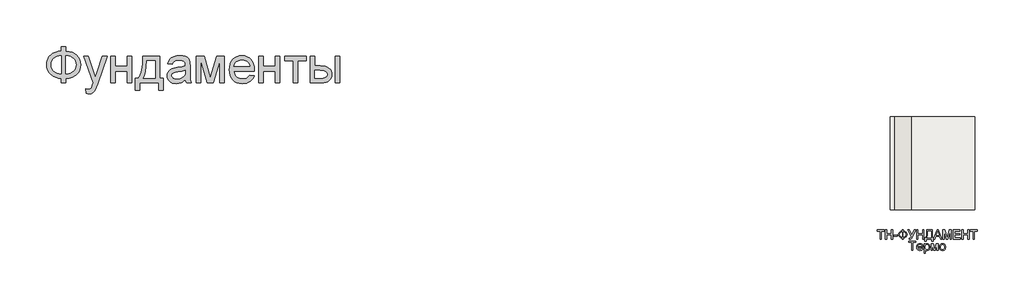
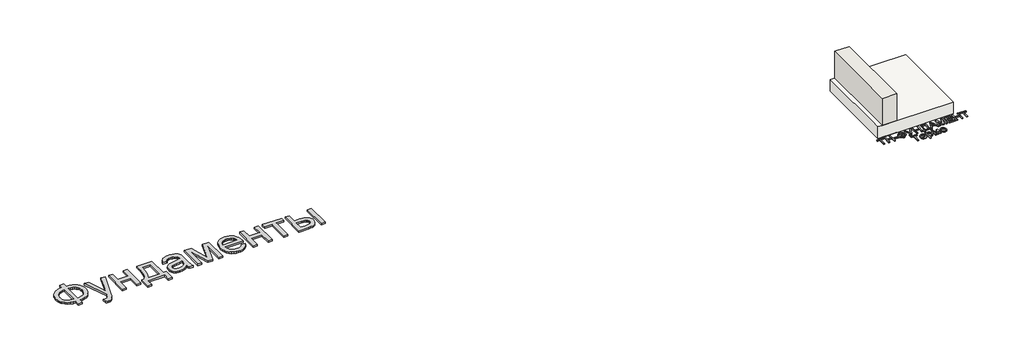
# One storey: 2 proxies, 1 slab, 1 wall.
"""IFC4 building model written with IfcOpenShell, lengths in millimetres."""

from ifc_helpers import new_model, si_unit, frame, origin, origin_with_axes, place, context, project, spatial, polyline, outline, extrude, faceted_brep, element, save

model = new_model("IFC4")

# Units and contexts
model_context = context("Model", 3, world=origin())
ifc_project = project(units=[si_unit("LENGTHUNIT", "METRE", prefix="MILLI")], contexts=[model_context])

# Site, building, storey
site = spatial("IfcSite", under=ifc_project)
building = spatial("IfcBuilding", under=site)
storey = spatial("IfcBuildingStorey", under=building, Elevation=0.0)

# Proxies
placement = place(None, origin())
element("IfcBuildingElementProxy", 1, Name="Generic Models", at=placement, inside=storey, context=model_context, shape_type="SweptSolid", body=[
    extrude(outline(polyline([(-1939.8736325, -26885.7211043), (-1939.8736325, -26787.7817103), (-1841.9342386, -26787.7817103), (-1841.9342386, -26885.7211043), (-1772.0723186, -26894.3529698), (-1709.9695132, -26912.2144755), (-1655.6258224, -26939.3056213), (-1609.0412461, -26975.6264073), (-1571.6743546, -27019.0607113), (-1544.9837177, -27067.4924111), (-1528.9693356, -27120.9215067), (-1523.6312083, -27179.3479982), (-1528.8019587, -27236.6028514), (-1544.3142102, -27289.3863505), (-1570.1679625, -27337.6984954), (-1606.3632158, -27381.5392861), (-1628.1416397, -27401.1761824), (-1652.1109076, -27418.4817577), (-1706.6219753, -27446.0989452), (-1769.896419, -27464.3908486), (-1841.9342386, -27473.3574679), (-1841.9342386, -27571.2968619), (-1939.8736325, -27571.2968619), (-1939.8736325, -27473.3574679), (-2005.3060425, -27466.0586398), (-2065.0237272, -27449.518216), (-2119.0266865, -27423.7361966), (-2167.3149204, -27388.7125816), (-2207.0669327, -27345.8939854), (-2222.6837947, -27322.10405), (-2235.4612272, -27296.7270228), (-2245.3992303, -27269.7629041), (-2252.4978039, -27241.2116938), (-2258.1766628, -27179.3479982), (-2252.5157371, -27117.2033486), (-2245.4395801, -27088.5878775), (-2235.5329602, -27061.6103088), (-2222.7958774, -27036.2706426), (-2207.2283318, -27012.5688789), (-2188.8303234, -26990.5050176), (-2167.6018522, -26970.0790588), (-2119.4032845, -26935.3961753), (-2065.382392, -26909.775555), (-2005.5391746, -26893.217198), (-1939.8736325, -26885.7211043)]), holes=[polyline([(-1841.9342386, -26983.6604982), (-1841.9342386, -27375.418074), (-1793.3949393, -27370.2234125), (-1750.3073446, -27359.2303372), (-1712.6714545, -27342.4388481), (-1680.4872689, -27319.8489452), (-1654.7112272, -27291.9627591), (-1636.2997689, -27259.2824206), (-1625.2528939, -27221.8079296), (-1621.5706022, -27179.5392861), (-1625.1871387, -27137.922217), (-1636.036748, -27100.872146), (-1654.1194303, -27068.389073), (-1679.4351855, -27040.4729982), (-1711.2905951, -27017.6977852), (-1748.9922405, -27000.6372975), (-1792.5401216, -26989.2915352), (-1841.9342386, -26983.6604982)]), polyline([(-1939.8736325, -26983.6604982), (-1986.781007, -26988.5861611), (-2028.989873, -26999.3461043), (-2066.5002305, -27015.9403278), (-2099.3120795, -27038.3688316), (-2125.9668498, -27066.2012179), (-2145.0059715, -27099.0070891), (-2156.4294445, -27136.7864452), (-2160.2372689, -27179.5392861), (-2156.4772665, -27221.9035735), (-2145.1972594, -27259.4737085), (-2126.3972476, -27292.2496909), (-2100.077231, -27320.231521), (-2067.5044919, -27342.8692459), (-2029.9463124, -27359.612913), (-1987.4026926, -27370.4625224), (-1939.8736325, -27375.418074), (-1939.8736325, -26983.6604982)])]), origin_with_axes(), (0.0, 0.0, 1.0), 40.0),
    extrude(outline(polyline([(-1401.2069658, -27791.6604982), (-1413.4493901, -27697.355574), (-1386.764731, -27703.8115399), (-1363.7145416, -27705.9635285), (-1337.5559242, -27703.2615872), (-1317.2315871, -27695.1557634), (-1301.4025151, -27682.2199206), (-1288.7296931, -27665.0279225), (-1261.9493901, -27592.9123922), (-1254.2978749, -27569.1926952), (-1462.4190871, -26995.9029225), (-1359.1236325, -26995.9029225), (-1248.7505264, -27315.35368), (-1210.3016628, -27443.1339831), (-1171.8527992, -27330.2741346), (-1058.4190871, -26995.9029225), (-955.888784, -26995.9029225), (-1156.1671931, -27585.0695891), (-1185.9124583, -27663.4019755), (-1208.1974961, -27712.8498922), (-1234.8343333, -27753.6420323), (-1265.0099961, -27781.9048164), (-1300.0634999, -27798.403396), (-1341.3338598, -27803.9029225), (-1369.6922878, -27800.8423164), (-1401.2069658, -27791.6604982)])), origin_with_axes(), (0.0, 0.0, 1.0), 40.0),
    extrude(outline(polyline([(-874.7827234, -26995.9029225), (-776.8433295, -26995.9029225), (-776.8433295, -27216.2665588), (-519.7524204, -27216.2665588), (-519.7524204, -26995.9029225), (-421.8130264, -26995.9029225), (-421.8130264, -27571.2968619), (-519.7524204, -27571.2968619), (-519.7524204, -27314.2059528), (-776.8433295, -27314.2059528), (-776.8433295, -27571.2968619), (-874.7827234, -27571.2968619), (-874.7827234, -26995.9029225)])), origin_with_axes(), (0.0, 0.0, 1.0), 40.0),
    extrude(outline(polyline([(-189.2069658, -26995.9029225), (178.0657614, -26995.9029225), (178.0657614, -27473.3574679), (251.5203069, -27473.3574679), (251.5203069, -27730.448377), (153.5809129, -27730.448377), (153.5809129, -27571.2968619), (-250.4190871, -27571.2968619), (-250.4190871, -27730.448377), (-348.358481, -27730.448377), (-348.358481, -27473.3574679), (-287.1463598, -27473.3574679), (-263.2293972, -27436.3970631), (-242.648017, -27392.9448259), (-225.4022192, -27343.0007563), (-211.4920037, -27286.5648543), (-200.9173707, -27223.6371199), (-193.67832, -27154.2175531), (-189.7748517, -27078.306154), (-189.2069658, -26995.9029225)]), holes=[polyline([(-103.5099961, -27093.8423164), (-111.5440871, -27213.7559054), (-126.4645416, -27316.979627), (-148.2713598, -27403.5134812), (-161.7571552, -27440.521708), (-176.9645416, -27473.3574679), (80.1263675, -27473.3574679), (80.1263675, -27093.8423164), (-103.5099961, -27093.8423164)])]), origin_with_axes(), (0.0, 0.0, 1.0), 40.0),
    extrude(outline(polyline([(728.9748523, -27497.8423164), (682.181055, -27537.964949), (658.2640924, -27552.8256261), (634.0004205, -27564.2192103), (583.3330436, -27578.7092672), (529.079019, -27583.5392861), (485.4713604, -27580.6341014), (447.2317179, -27571.9185475), (414.3600914, -27557.3926242), (386.8564811, -27537.0563316), (365.1393291, -27512.2008628), (349.6270777, -27484.1174111), (340.3197269, -27452.8059764), (337.2172766, -27418.2665588), (341.9038296, -27377.6657066), (355.9634887, -27340.7949679), (377.650752, -27309.2324679), (405.2201175, -27284.5563316), (437.619502, -27265.9057634), (473.796822, -27252.4199679), (558.5373523, -27237.6908013), (658.6765569, -27222.1964831), (728.4009887, -27204.0241346), (728.9748523, -27182.2173164), (727.2891279, -27158.4737085), (722.2319546, -27138.5080361), (713.8033325, -27122.3202994), (702.0032614, -27109.9104982), (681.6071914, -27097.5246081), (656.7636781, -27088.6775437), (627.4727217, -27083.369305), (593.734322, -27081.5998922), (535.391519, -27086.3103562), (512.8195493, -27092.1984362), (494.6472008, -27100.4417482), (479.7147908, -27111.6858888), (466.8626364, -27126.5764547), (456.0907378, -27145.1134457), (447.3990948, -27167.2968619), (349.4597008, -27155.0544376), (366.4604111, -27101.4938316), (378.0990829, -27079.0175058), (391.829966, -27059.4104982), (408.2448571, -27042.2782776), (427.9355531, -27027.2263126), (450.902054, -27014.2546033), (477.1443599, -27003.3631497), (537.3283088, -26988.5861611), (606.359322, -26983.6604982), (672.5688391, -26988.0122975), (725.0534508, -27001.0676952), (764.6261307, -27020.6986138), (792.0998523, -27044.7769755), (810.3200228, -27074.5461516), (822.1320493, -27111.2495134), (825.718697, -27145.1074679), (826.9142463, -27196.9464831), (826.9142463, -27318.7968619), (828.1576175, -27424.9377236), (831.8877311, -27488.94743), (839.2523145, -27531.0068524), (851.3990948, -27571.2968619), (753.4597008, -27571.2968619), (737.7740948, -27537.2476194), (728.9748523, -27497.8423164)]), holes=[polyline([(728.9748523, -27301.9635285), (663.171822, -27318.2708202), (570.9710645, -27331.9957255), (520.1602217, -27339.5037747), (486.7087539, -27347.8726194), (464.7823807, -27358.7282066), (448.546822, -27373.6964831), (438.5042084, -27391.6297217), (435.1566705, -27411.3801952), (436.9798831, -27426.599537), (442.4495209, -27440.5037747), (451.5655839, -27453.0929083), (464.328072, -27464.3669376), (480.6174305, -27473.6563552), (500.3141042, -27480.2916535), (549.9293978, -27485.5998922), (602.5335645, -27479.7417009), (626.5401932, -27472.4189618), (649.016519, -27462.167127), (686.7002311, -27436.2715304), (712.9066705, -27405.450271), (724.5274092, -27373.6964831), (728.4009887, -27329.700271), (728.9748523, -27301.9635285)])]), origin_with_axes(), (0.0, 0.0, 1.0), 40.0),
    extrude(outline(polyline([(961.5809129, -26995.9029225), (1130.1055342, -26995.9029225), (1259.9900039, -27456.5241346), (1400.0127311, -26995.9029225), (1561.4597008, -26995.9029225), (1561.4597008, -27571.2968619), (1463.5203069, -27571.2968619), (1463.5203069, -27107.9976194), (1322.7324281, -27571.2968619), (1194.1869736, -27571.2968619), (1059.5203069, -27085.8082255), (1059.5203069, -27571.2968619), (961.5809129, -27571.2968619), (961.5809129, -26995.9029225)])), origin_with_axes(), (0.0, 0.0, 1.0), 40.0),
    extrude(outline(polyline([(2111.2210645, -27399.9029225), (2207.2475796, -27412.1453467), (2192.5243907, -27450.6061658), (2172.6483845, -27484.4999869), (2147.6195611, -27513.8268098), (2117.4379205, -27538.5866346), (2082.4143055, -27558.2534196), (2042.8595588, -27572.3011232), (1998.7736805, -27580.7297454), (1950.1566705, -27583.5392861), (1889.3869025, -27578.6913339), (1835.2404773, -27564.1474774), (1787.717395, -27539.9077165), (1746.8176554, -27505.9720513), (1713.9280957, -27463.2849656), (1690.4355531, -27412.7909433), (1676.3400275, -27354.4899845), (1671.641519, -27288.3820891), (1676.3878495, -27220.0325389), (1690.626841, -27159.7888126), (1714.3584934, -27107.6509102), (1747.5828069, -27063.6188316), (1788.374947, -27028.6370607), (1834.8100796, -27003.6500816), (1886.8882046, -26988.6578941), (1944.609322, -26983.6604982), (2000.4713604, -26988.6459386), (2050.9892936, -27003.6022596), (2096.1631218, -27028.5294613), (2135.9928448, -27063.4275437), (2168.5058064, -27107.3639783), (2191.7293504, -27159.4062369), (2205.6634769, -27219.5543192), (2210.3081857, -27287.8082255), (2209.734322, -27314.2059528), (1769.5809129, -27314.2059528), (1775.2537941, -27353.2884575), (1786.5338012, -27387.5170323), (1803.4209343, -27416.8916772), (1825.9151932, -27441.4123922), (1852.773207, -27460.7444234), (1882.7516042, -27474.5530172), (1915.850385, -27482.8381734), (1952.0695493, -27485.5998922), (2004.1954963, -27480.4829414), (2048.0960645, -27465.1320891), (2066.9618315, -27453.3798401), (2083.7712539, -27438.590896), (2098.5243315, -27420.7652567), (2111.2210645, -27399.9029225)]), holes=[polyline([(1769.5809129, -27216.2665588), (2112.3687917, -27216.2665588), (2107.3355294, -27188.5537274), (2099.1221061, -27164.5231876), (2087.7285218, -27144.1749395), (2073.1547766, -27127.5089831), (2046.4462065, -27107.4237558), (2016.0553448, -27093.0771649), (1981.9821914, -27084.4692103), (1944.2267463, -27081.5998922), (1909.7889504, -27083.889369), (1878.2085171, -27090.7577994), (1849.4854466, -27102.2051834), (1823.6197387, -27118.231521), (1801.9145422, -27138.0955716), (1785.6730057, -27161.0560948), (1774.8951293, -27187.1130906), (1769.5809129, -27216.2665588)])]), origin_with_axes(), (0.0, 0.0, 1.0), 40.0),
    extrude(outline(polyline([(2308.2475796, -26995.9029225), (2406.1869736, -26995.9029225), (2406.1869736, -27216.2665588), (2663.2778826, -27216.2665588), (2663.2778826, -26995.9029225), (2761.2172766, -26995.9029225), (2761.2172766, -27571.2968619), (2663.2778826, -27571.2968619), (2663.2778826, -27314.2059528), (2406.1869736, -27314.2059528), (2406.1869736, -27571.2968619), (2308.2475796, -27571.2968619), (2308.2475796, -26995.9029225)])), origin_with_axes(), (0.0, 0.0, 1.0), 40.0),
    extrude(outline(polyline([(2859.1566705, -26995.9029225), (3324.3687917, -26995.9029225), (3324.3687917, -27093.8423164), (3140.7324281, -27093.8423164), (3140.7324281, -27571.2968619), (3042.7930342, -27571.2968619), (3042.7930342, -27093.8423164), (2859.1566705, -27093.8423164), (2859.1566705, -26995.9029225)])), origin_with_axes(), (0.0, 0.0, 1.0), 40.0),
    extrude(outline(polyline([(3948.7324281, -26995.9029225), (4046.671822, -26995.9029225), (4046.671822, -27571.2968619), (3948.7324281, -27571.2968619), (3948.7324281, -26995.9029225)])), origin_with_axes(), (0.0, 0.0, 1.0), 40.0),
    extrude(outline(polyline([(3410.0657614, -26995.9029225), (3508.0051554, -26995.9029225), (3508.0051554, -27204.0241346), (3629.0903826, -27204.0241346), (3684.8089551, -27207.0907184), (3733.7487633, -27216.2904698), (3775.9098074, -27231.6233888), (3811.2920872, -27253.0894755), (3839.2858727, -27279.9474892), (3859.2814338, -27311.4561895), (3871.2787704, -27347.6155763), (3875.2778826, -27388.4256497), (3871.924367, -27424.8361019), (3861.8638201, -27458.5087463), (3845.096242, -27489.443583), (3821.6216326, -27517.6406119), (3790.7824399, -27541.1152212), (3751.9211118, -27557.8827994), (3705.0376483, -27567.9433462), (3650.1320493, -27571.2968619), (3410.0657614, -27571.2968619), (3410.0657614, -26995.9029225)]), holes=[polyline([(3508.0051554, -27473.3574679), (3608.6225796, -27473.3574679), (3686.6202122, -27468.2166062), (3715.8274802, -27461.790529), (3738.5070493, -27452.794021), (3755.495804, -27441.0716606), (3767.6306289, -27426.4680266), (3774.9115237, -27408.983119), (3777.3384887, -27388.6169376), (3775.5391871, -27372.1542245), (3770.1412823, -27356.6240399), (3761.1447742, -27342.0263836), (3748.5496629, -27328.3612558), (3729.8094286, -27316.8122501), (3702.3775512, -27308.5629603), (3666.2540308, -27303.6133865), (3621.4388675, -27301.9635285), (3508.0051554, -27301.9635285), (3508.0051554, -27473.3574679)])]), origin_with_axes(), (0.0, 0.0, 1.0), 40.0),
])
element("IfcBuildingElementProxy", 2, Name="Generic Models", at=placement, inside=storey, context=model_context, shape_type="SweptSolid", body=[
    extrude(outline(polyline([(15665.8459778, -30929.3289166), (15665.8459778, -30757.0212243), (15601.2305932, -30757.0212243), (15601.2305932, -30732.4058397), (15755.076747, -30732.4058397), (15755.076747, -30757.0212243), (15690.4613624, -30757.0212243), (15690.4613624, -30929.3289166), (15665.8459778, -30929.3289166)])), origin_with_axes(), (0.0, 0.0, 1.0), 20.0),
    extrude(outline(polyline([(15782.7690547, -30929.3289166), (15782.7690547, -30732.4058397), (15807.3844394, -30732.4058397), (15807.3844394, -30812.4058397), (15911.999824, -30812.4058397), (15911.999824, -30732.4058397), (15936.6152086, -30732.4058397), (15936.6152086, -30929.3289166), (15911.999824, -30929.3289166), (15911.999824, -30837.0212243), (15807.3844394, -30837.0212243), (15807.3844394, -30929.3289166), (15782.7690547, -30929.3289166)])), origin_with_axes(), (0.0, 0.0, 1.0), 20.0),
    extrude(outline(polyline([(15964.3075163, -30870.8673782), (15964.3075163, -30846.2519936), (16041.2305932, -30846.2519936), (16041.2305932, -30870.8673782), (15964.3075163, -30870.8673782)])), origin_with_axes(), (0.0, 0.0, 1.0), 20.0),
    extrude(outline(polyline([(16142.7690547, -30757.0212243), (16142.7690547, -30732.4058397), (16167.3844394, -30732.4058397), (16167.3844394, -30757.0212243), (16200.5515067, -30763.6798782), (16225.9180932, -30779.6173782), (16242.0178528, -30802.7063205), (16247.3844394, -30830.8193012), (16242.186122, -30858.4755512), (16226.5911701, -30881.6366089), (16201.3928528, -30897.8625705), (16167.3844394, -30904.713532), (16167.3844394, -30929.3289166), (16142.7690547, -30929.3289166), (16142.7690547, -30904.713532), (16111.3147278, -30898.7219455), (16085.6055932, -30883.4394936), (16075.6146076, -30872.6777748), (16068.4781894, -30860.3205032), (16062.7690547, -30830.8193012), (16068.4601605, -30801.2279551), (16075.5740427, -30788.9022339), (16085.5334778, -30778.2231474), (16111.2245836, -30763.0668974), (16142.7690547, -30757.0212243)]), holes=[polyline([(16142.7690547, -30781.6366089), (16120.3712182, -30785.5789166), (16102.6969394, -30795.3866089), (16091.2125644, -30810.6269936), (16087.3844394, -30830.8673782), (16091.1644874, -30850.9575224), (16102.5046317, -30866.2279551), (16120.1308336, -30876.1257916), (16142.7690547, -30880.0981474), (16142.7690547, -30781.6366089)]), polyline([(16167.3844394, -30781.6366089), (16167.3844394, -30880.0981474), (16190.4132855, -30876.0296378), (16207.9613624, -30866.1318012), (16219.0671317, -30850.9094455), (16222.7690547, -30830.8673782), (16219.1332374, -30811.0957436), (16208.2257855, -30795.9154551), (16190.7438144, -30785.9034359), (16167.3844394, -30781.6366089)])]), origin_with_axes(), (0.0, 0.0, 1.0), 20.0),
    extrude(outline(polyline([(16267.3844394, -30732.4058397), (16294.6440547, -30732.4058397), (16353.5382855, -30849.0404551), (16406.5190547, -30732.4058397), (16433.5382855, -30732.4058397), (16358.7786701, -30885.8193012), (16338.4421317, -30923.5116089), (16328.7906894, -30930.182282), (16315.701747, -30932.4058397), (16293.5382855, -30929.3289166), (16293.5382855, -30907.7904551), (16312.9132855, -30907.7904551), (16327.2882855, -30902.3096859), (16340.6055932, -30877.3577628), (16267.3844394, -30732.4058397)])), origin_with_axes(), (0.0, 0.0, 1.0), 20.0),
    extrude(outline(polyline([(16456.6152086, -30929.3289166), (16456.6152086, -30732.4058397), (16481.2305932, -30732.4058397), (16481.2305932, -30812.4058397), (16585.8459778, -30812.4058397), (16585.8459778, -30732.4058397), (16610.4613624, -30732.4058397), (16610.4613624, -30929.3289166), (16585.8459778, -30929.3289166), (16585.8459778, -30837.0212243), (16481.2305932, -30837.0212243), (16481.2305932, -30929.3289166), (16456.6152086, -30929.3289166)])), origin_with_axes(), (0.0, 0.0, 1.0), 20.0),
    extrude(outline(polyline([(16671.999824, -30732.4058397), (16788.9229009, -30732.4058397), (16788.9229009, -30904.713532), (16807.3844394, -30904.713532), (16807.3844394, -30975.4827628), (16782.7690547, -30975.4827628), (16782.7690547, -30929.3289166), (16656.6152086, -30929.3289166), (16656.6152086, -30975.4827628), (16631.999824, -30975.4827628), (16631.999824, -30904.713532), (16647.3844394, -30904.713532), (16658.1536701, -30882.3848061), (16665.8459778, -30850.9755512), (16670.4613624, -30810.4857676), (16671.999824, -30760.9154551), (16671.999824, -30732.4058397)]), holes=[polyline([(16764.3075163, -30757.0212243), (16696.6152086, -30757.0212243), (16696.6152086, -30766.9250705), (16691.6152086, -30834.3769936), (16684.2113624, -30873.3553589), (16671.999824, -30904.713532), (16764.3075163, -30904.713532), (16764.3075163, -30757.0212243)])]), origin_with_axes(), (0.0, 0.0, 1.0), 20.0),
    extrude(outline(polyline([(16815.2209778, -30929.3289166), (16893.826747, -30732.4058397), (16914.7882855, -30732.4058397), (16993.3940547, -30929.3289166), (16967.3844394, -30929.3289166), (16944.8363624, -30867.7904551), (16863.7305932, -30867.7904551), (16841.2305932, -30929.3289166), (16815.2209778, -30929.3289166)]), holes=[polyline([(16872.7690547, -30843.1750705), (16935.8459778, -30843.1750705), (16918.1055932, -30794.7616089), (16904.3075163, -30757.0212243), (16892.0479009, -30790.5308397), (16872.7690547, -30843.1750705)])]), origin_with_axes(), (0.0, 0.0, 1.0), 20.0),
    extrude(outline(polyline([(17019.6921317, -30929.3289166), (17019.6921317, -30732.4058397), (17062.0479009, -30732.4058397), (17102.3363624, -30871.2039166), (17110.4613624, -30900.1943012), (17119.2594394, -30868.8000705), (17158.874824, -30732.4058397), (17201.2305932, -30732.4058397), (17201.2305932, -30929.3289166), (17176.6152086, -30929.3289166), (17176.6152086, -30757.0212243), (17127.1440547, -30929.3289166), (17093.7786701, -30929.3289166), (17044.3075163, -30757.0212243), (17044.3075163, -30929.3289166), (17019.6921317, -30929.3289166)])), origin_with_axes(), (0.0, 0.0, 1.0), 20.0),
    extrude(outline(polyline([(17244.3075163, -30929.3289166), (17244.3075163, -30732.4058397), (17385.8459778, -30732.4058397), (17385.8459778, -30757.0212243), (17268.9229009, -30757.0212243), (17268.9229009, -30815.4827628), (17379.6921317, -30815.4827628), (17379.6921317, -30840.0981474), (17268.9229009, -30840.0981474), (17268.9229009, -30904.713532), (17388.9229009, -30904.713532), (17388.9229009, -30929.3289166), (17244.3075163, -30929.3289166)])), origin_with_axes(), (0.0, 0.0, 1.0), 20.0),
    extrude(outline(polyline([(17425.8459778, -30929.3289166), (17425.8459778, -30732.4058397), (17450.4613624, -30732.4058397), (17450.4613624, -30812.4058397), (17555.076747, -30812.4058397), (17555.076747, -30732.4058397), (17579.6921317, -30732.4058397), (17579.6921317, -30929.3289166), (17555.076747, -30929.3289166), (17555.076747, -30837.0212243), (17450.4613624, -30837.0212243), (17450.4613624, -30929.3289166), (17425.8459778, -30929.3289166)])), origin_with_axes(), (0.0, 0.0, 1.0), 20.0),
    extrude(outline(polyline([(17671.999824, -30929.3289166), (17671.999824, -30757.0212243), (17607.3844394, -30757.0212243), (17607.3844394, -30732.4058397), (17761.2305932, -30732.4058397), (17761.2305932, -30757.0212243), (17696.6152086, -30757.0212243), (17696.6152086, -30929.3289166), (17671.999824, -30929.3289166)])), origin_with_axes(), (0.0, 0.0, 1.0), 20.0),
    extrude(outline(polyline([(16348.9229009, -31172.4058397), (16348.9229009, -31000.0981474), (16284.3075163, -31000.0981474), (16284.3075163, -30975.4827628), (16438.1536701, -30975.4827628), (16438.1536701, -31000.0981474), (16373.5382855, -31000.0981474), (16373.5382855, -31172.4058397), (16348.9229009, -31172.4058397)])), origin_with_axes(), (0.0, 0.0, 1.0), 20.0),
    extrude(outline(polyline([(16564.0190547, -31129.3289166), (16588.1536701, -31132.4058397), (16579.4577567, -31150.5909359), (16565.5815547, -31164.1846859), (16546.8375644, -31172.6582436), (16523.5382855, -31175.4827628), (16494.656074, -31170.6089647), (16472.4325163, -31155.9875705), (16458.2618432, -31132.5680993), (16453.5382855, -31101.3000705), (16458.3099201, -31068.9803589), (16472.624824, -31044.8096859), (16494.5479009, -31029.7375705), (16522.1440547, -31024.713532), (16548.8808336, -31029.7255512), (16570.2450163, -31044.7616089), (16584.2534297, -31068.8842051), (16588.9229009, -31101.1558397), (16588.7786701, -31107.7904551), (16478.1536701, -31107.7904551), (16482.4144874, -31126.2159359), (16492.312324, -31139.7616089), (16506.5971797, -31148.0909359), (16524.0190547, -31150.8673782), (16548.1536701, -31145.7231474), (16557.1200163, -31139.0524743), (16564.0190547, -31129.3289166)]), holes=[polyline([(16478.1536701, -31083.1750705), (16564.3075163, -31083.1750705), (16560.9781894, -31070.1702628), (16554.451747, -31060.8673782), (16540.1007855, -31052.213532), (16522.0479009, -31049.3289166), (16505.4553528, -31051.6305993), (16491.7354009, -31058.5356474), (16482.1981413, -31069.2988686), (16478.1536701, -31083.1750705)])]), origin_with_axes(), (0.0, 0.0, 1.0), 20.0),
    extrude(outline(polyline([(16613.5382855, -31227.7904551), (16613.5382855, -31027.7904551), (16638.1536701, -31027.7904551), (16638.1536701, -31051.9250705), (16655.1729009, -31031.5164166), (16665.6536701, -31026.4142532), (16678.1536701, -31024.713532), (16694.8003047, -31027.0933397), (16709.3555932, -31034.2327628), (16721.2065547, -31045.6991089), (16729.7402086, -31061.0596859), (16734.8964586, -31079.1967051), (16736.6152086, -31098.9923782), (16734.6741028, -31120.0440609), (16728.8507855, -31138.8721859), (16719.3315547, -31154.5212243), (16706.3027086, -31166.0356474), (16691.1284297, -31173.1209839), (16675.1729009, -31175.4827628), (16663.8567951, -31173.9022339), (16653.7546317, -31169.1606474), (16638.1536701, -31153.1750705), (16638.1536701, -31227.7904551), (16613.5382855, -31227.7904551)]), holes=[polyline([(16638.1536701, -31101.2519936), (16640.8159297, -31123.3193012), (16648.8027086, -31138.7519936), (16660.5875644, -31147.838532), (16674.6440547, -31150.8673782), (16688.9289105, -31147.7303589), (16701.014247, -31138.3193012), (16709.2534297, -31122.3217051), (16711.999824, -31099.4250705), (16709.3195355, -31077.4779551), (16701.2786701, -31061.8289166), (16689.5118432, -31052.4539166), (16675.6536701, -31049.3289166), (16661.7414105, -31052.6522339), (16649.5238624, -31062.6221859), (16640.9962182, -31078.9262724), (16638.1536701, -31101.2519936)])]), origin_with_axes(), (0.0, 0.0, 1.0), 20.0),
    extrude(outline(polyline([(16764.3075163, -31027.7904551), (16806.6632855, -31027.7904551), (16839.3075163, -31143.5596859), (16874.499824, -31027.7904551), (16915.076747, -31027.7904551), (16915.076747, -31172.4058397), (16890.4613624, -31172.4058397), (16890.4613624, -31055.963532), (16855.076747, -31172.4058397), (16822.7690547, -31172.4058397), (16788.9229009, -31050.3866089), (16788.9229009, -31172.4058397), (16764.3075163, -31172.4058397), (16764.3075163, -31027.7904551)])), origin_with_axes(), (0.0, 0.0, 1.0), 20.0),
    extrude(outline(polyline([(16945.8459778, -31100.0981474), (16951.170497, -31065.2303589), (16957.8261461, -31051.6816811), (16967.1440547, -31040.7231474), (16986.8796317, -31028.7159359), (17010.5094394, -31024.713532), (17036.3688144, -31029.5873301), (17057.0238624, -31044.2087243), (17070.5635259, -31067.4238686), (17075.076747, -31098.0789166), (17073.0815547, -31122.9467051), (17067.0959778, -31141.8769936), (17057.2942951, -31156.0536762), (17043.8507855, -31166.6606474), (17027.8832374, -31173.2772339), (17010.5094394, -31175.4827628), (16984.3375644, -31170.6269936), (16963.7065547, -31156.0596859), (16950.311122, -31132.3577628), (16945.8459778, -31100.0981474)]), holes=[polyline([(16970.4613624, -31100.0500705), (16973.3099201, -31122.3277147), (16981.8555932, -31138.1991089), (16994.7161701, -31147.7003109), (17010.5094394, -31150.8673782), (17026.2305932, -31147.682282), (17039.0671317, -31138.1269936), (17047.6128047, -31122.0452628), (17050.4613624, -31099.2808397), (17047.5947759, -31077.6522339), (17038.9950163, -31061.9971859), (17026.140449, -31052.4959839), (17010.5094394, -31049.3289166), (16994.7161701, -31052.4839647), (16981.8555932, -31061.9491089), (16973.3099201, -31077.7844455), (16970.4613624, -31100.0500705)])]), origin_with_axes(), (0.0, 0.0, 1.0), 20.0),
])

# Slab
element("IfcSlab", 3, at=placement, inside=storey, context=model_context, shape_type="Brep", body=[
    faceted_brep([(15881.3955952, -28302.6148653, -303.0), (15985.3955952, -28302.6148653, -303.0), (16338.3955952, -28302.6148653, -303.0), (17706.3955952, -28302.6148653, -303.0), (17706.3955952, -30302.6148653, -303.0), (16338.3955952, -30302.6148653, -303.0), (15985.3955952, -30302.6148653, -303.0), (15881.3955952, -30302.6148653, -303.0), (15881.3955952, -28302.6148653, 0.0), (15881.3955952, -30302.6148653, 0.0), (15985.3955952, -30302.6148653, 0.0), (16338.3955952, -30302.6148653, 0.0), (17706.3955952, -30302.6148653, 0.0), (17706.3955952, -28302.6148653, 0.0), (16338.3955952, -28302.6148653, 0.0), (15985.3955952, -28302.6148653, 0.0)], [[[0, 1, 2, 3, 4, 5, 6, 7]], [[8, 9, 10, 11, 12, 13, 14, 15]], [[3, 2, 1, 0, 8, 15, 14, 13]], [[4, 3, 13, 12]], [[7, 6, 5, 4, 12, 11, 10, 9]], [[0, 7, 9, 8]]]),
])

# Wall
element("IfcWall", 4, at=placement, inside=storey, context=model_context, shape_type="SweptSolid", body=[
    extrude(outline(polyline([(15985.3955952, -30302.6148653), (15985.3955952, -28302.6148653), (16338.3955952, -28302.6148653), (16338.3955952, -30302.6148653), (15985.3955952, -30302.6148653)])), frame((0.0, 0.0, -311.0), z_axis=(0.0, 0.0, 1.0), x_axis=(1.0, 0.0, 0.0)), (0.0, 0.0, 1.0), 8.0),
    extrude(outline(polyline([(15985.3955952, -30302.6148653), (15985.3955952, -28302.6148653), (16338.3955952, -28302.6148653), (16338.3955952, -30302.6148653), (15985.3955952, -30302.6148653)])), origin_with_axes(), (0.0, 0.0, 1.0), 689.0),
])

save(model, "model.ifc")
